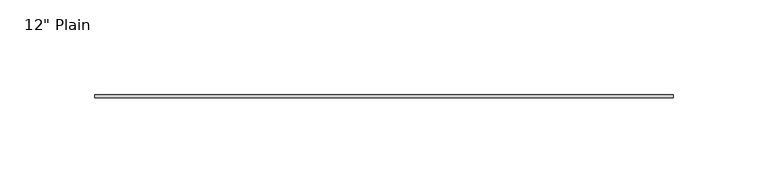
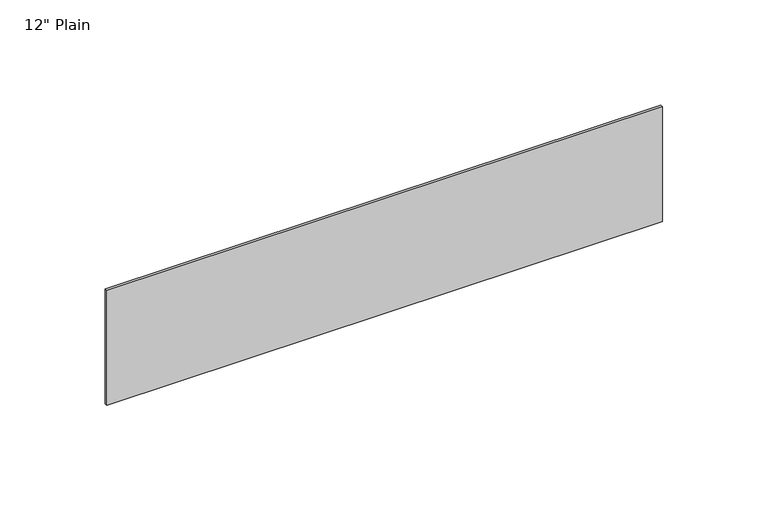
"""IFC4 building model written with IfcOpenShell, lengths in millimetres: furniture geometry."""

from ifc_helpers import new_model, si_unit, frame, origin, place, context, project, spatial, polyline, outline, extrude, source, transform, mapped, element, save


def furniture_b9550d6b(model_context):
    return source(origin(), model_context, "Body", "SweptSolid", [
        extrude(outline(polyline([(171.1377049, -1.5875), (-133.6622951, -1.5875), (-133.6622951, 0.0), (171.1377049, 0.0), (171.1377049, -1.5875)])), frame((0.0, 0.0, 1152.525), z_axis=(0.0, 0.0, 1.0), x_axis=(1.0, 0.0, 0.0)), (0.0, 0.0, 1.0), 66.675),
    ])


if __name__ == "__main__":
    model = new_model("IFC4")
    model_context = context("Model", 3, world=origin())
    ifc_project = project(units=[si_unit("LENGTHUNIT", "METRE", prefix="MILLI")], contexts=[model_context])
    site = spatial("IfcSite", under=ifc_project)
    building = spatial("IfcBuilding", under=site)
    placement = place(None, origin())
    furniture_shape = furniture_b9550d6b(model_context)
    element("IfcFurniture", 1, ObjectType="12\" Plain", at=placement, inside=building, context=model_context, shape_type="MappedRepresentation", body=[
        mapped(furniture_shape, transform((0.0, 0.0, 0.0), x_axis=(1.0, 0.0, 0.0), y_axis=(0.0, 1.0, 0.0), z_axis=(0.0, 0.0, 1.0))),
    ])
    save(model, "model.ifc")
